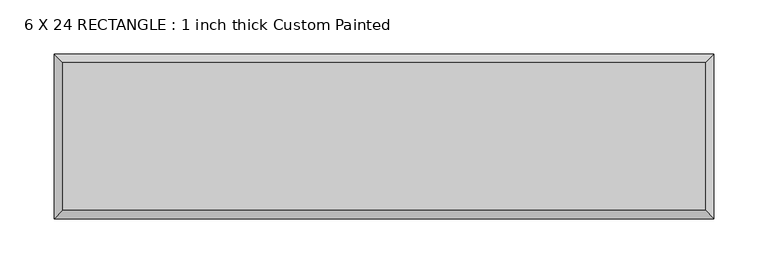
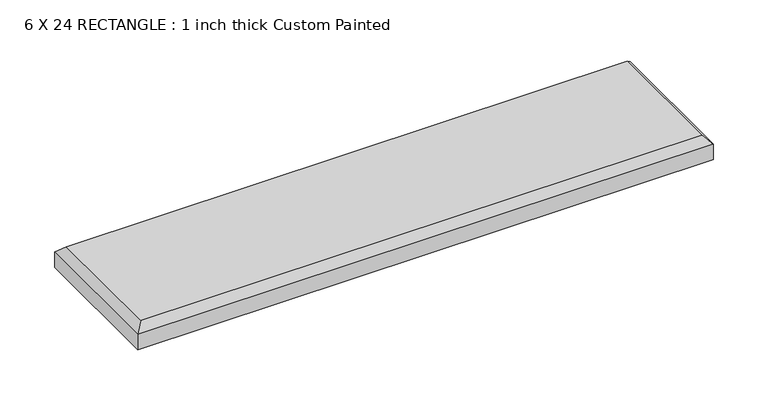
"""IFC4 building model written with IfcOpenShell, lengths in millimetres: proxy geometry, 6 X 24 RECTANGLE : 1 inch thick Custom Painted."""

from ifc_helpers import new_model, si_unit, origin, place, context, project, spatial, faceted_brep, source, transform, mapped, element, save


def proxy_6_x_24_rectangle_1_inch_thick_custom_painted_e207930e(model_context):
    return source(origin(), model_context, "Body", "Brep", [
        faceted_brep([(296.799, 68.199, 25.4), (-296.799, 68.199, 25.4), (-296.799, -68.199, 25.4), (296.799, -68.199, 25.4), (-304.8, 76.2, 0.0), (304.8, 76.2, 0.0), (304.8, -76.2, 0.0), (-304.8, -76.2, 0.0), (-304.8, -76.2, 17.399), (-304.8, 76.2, 17.399), (304.8, -76.2, 17.399), (304.8, 76.2, 17.399)], [[[0, 1, 2, 3]], [[4, 5, 6, 7]], [[4, 7, 8, 9]], [[7, 6, 10, 8]], [[6, 5, 11, 10]], [[5, 4, 9, 11]], [[9, 1, 0, 11]], [[1, 9, 8, 2]], [[2, 8, 10, 3]], [[11, 0, 3, 10]]]),
    ])


if __name__ == "__main__":
    model = new_model("IFC4")
    model_context = context("Model", 3, world=origin())
    ifc_project = project(units=[si_unit("LENGTHUNIT", "METRE", prefix="MILLI")], contexts=[model_context])
    site = spatial("IfcSite", under=ifc_project)
    building = spatial("IfcBuilding", under=site)
    placement = place(None, origin())
    proxy_6_x_24_rectangle_1_inch_thick_custom_painted_shape = proxy_6_x_24_rectangle_1_inch_thick_custom_painted_e207930e(model_context)
    element("IfcBuildingElementProxy", 1, Name="6 X 24 RECTANGLE : 1 inch thick Custom Painted", ObjectType="6 X 24 RECTANGLE : 1 inch thick Custom Painted", at=placement, inside=building, context=model_context, shape_type="MappedRepresentation", body=[
        mapped(proxy_6_x_24_rectangle_1_inch_thick_custom_painted_shape, transform((0.0, 0.0, 0.0), x_axis=(1.0, 0.0, 0.0), y_axis=(0.0, 1.0, 0.0), z_axis=(0.0, 0.0, 1.0))),
    ])
    save(model, "model.ifc")
